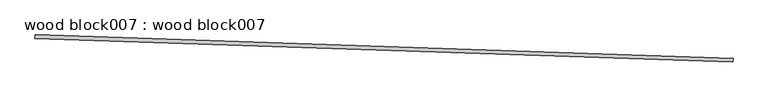
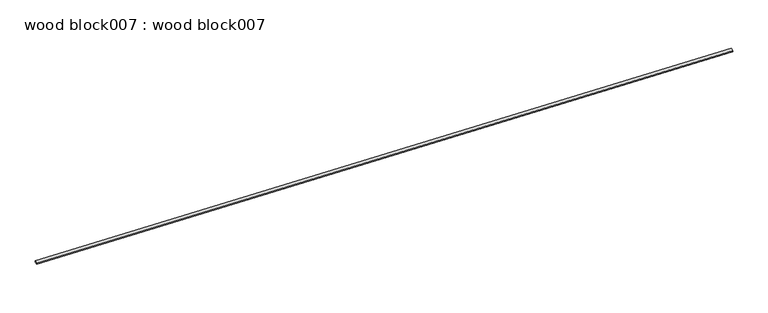
"""IFC4 building model written with IfcOpenShell, lengths in millimetres: proxy geometry, wood block007 : wood block007."""

from ifc_helpers import new_model, si_unit, frame, origin, place, context, project, spatial, polyline, outline, extrude, source, transform, mapped, element, save


def wood_block007_wood_block007_fc93cc95(model_context):
    return source(origin(), model_context, "Body", "SweptSolid", [
        extrude(outline(polyline([(0.0, 0.0), (2.1169678, -24.197053), (-86.4447408, -31.9451985), (-89.2395835, 0.0), (0.0, 0.0)])), frame((34354.5710876, -15470.6010577, 5784.6049079), z_axis=(-0.9994149479163328, 0.03420178184530521, 0.0), x_axis=(-0.03407163373956542, -0.9956118723073586, -0.08715574275372227)), (0.0, 0.0, 1.0), 17068.8),
    ])


if __name__ == "__main__":
    model = new_model("IFC4")
    model_context = context("Model", 3, world=origin())
    ifc_project = project(units=[si_unit("LENGTHUNIT", "METRE", prefix="MILLI")], contexts=[model_context])
    site = spatial("IfcSite", under=ifc_project)
    building = spatial("IfcBuilding", under=site)
    placement = place(None, origin())
    wood_block007_wood_block007_shape = wood_block007_wood_block007_fc93cc95(model_context)
    element("IfcBuildingElementProxy", 1, Name="wood block007 : wood block007", ObjectType="wood block007 : wood block007", at=placement, inside=building, context=model_context, shape_type="MappedRepresentation", body=[
        mapped(wood_block007_wood_block007_shape, transform((0.0, 0.0, 0.0), x_axis=(1.0, 0.0, 0.0), y_axis=(0.0, 1.0, 0.0), z_axis=(0.0, 0.0, 1.0))),
    ])
    save(model, "model.ifc")
